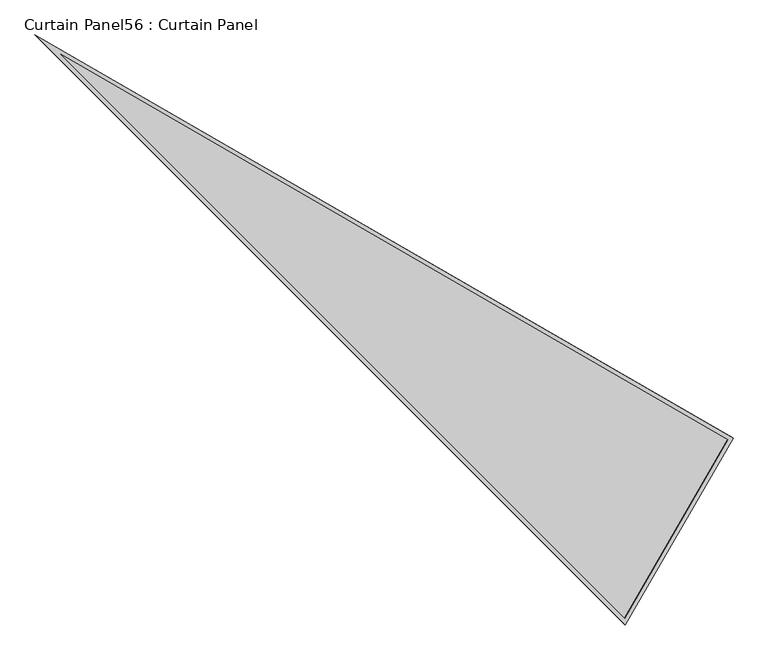
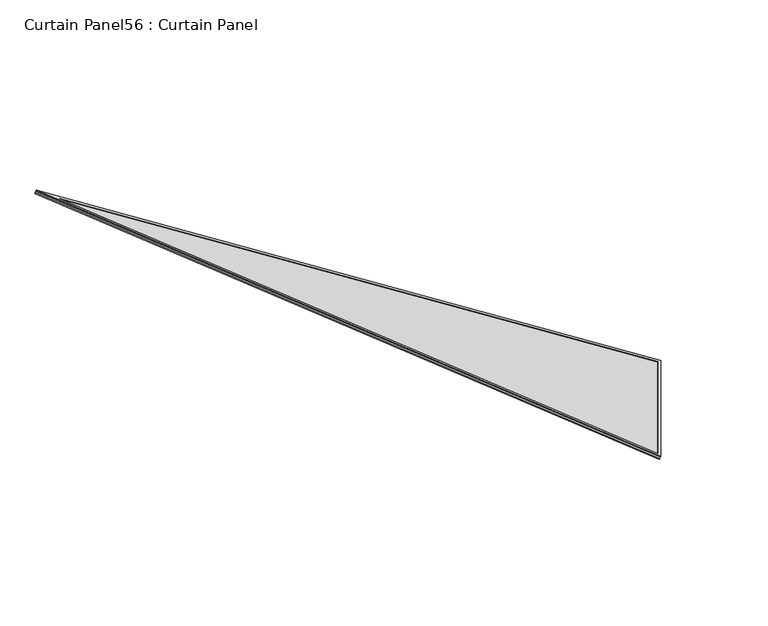
"""IFC4 building model written with IfcOpenShell, lengths in millimetres: plate geometry, Curtain Panel56 : Curtain Panel."""

from ifc_helpers import new_model, si_unit, frame, origin, place, context, project, spatial, polyline, outline, extrude, source, transform, mapped, element, save


def curtain_panel56_curtain_panel_53172989(model_context):
    return source(origin(), model_context, "Body", "SweptSolid", [
        extrude(outline(polyline([(895.9373554, 0.0), (0.0, -3524.4506618), (0.0, 0.0), (895.9373554, 0.0)]), holes=[polyline([(874.508816, -16.662798), (16.6627979, -16.6627979), (16.6627979, -3391.2692346), (874.508816, -16.662798)])]), frame((17613.8083614, -2747.085386, 898.7010357), z_axis=(0.27379031486167565, -0.15807291198690446, 0.9487106081329149), x_axis=(-0.5000000000000074, -0.8660254037844345, 0.0)), (0.0, 0.0, 1.0), 4.8308277),
        extrude(outline(polyline([(895.9373554, 0.0), (0.0, -3524.4506618), (0.0, 0.0), (895.9373554, 0.0)]), holes=[polyline([(874.4766631, -16.6878), (16.6878, -16.6878), (16.6878001, -3391.0693991), (874.4766631, -16.6878)])]), frame((17608.9820055, -2744.2988881, 881.9772337), z_axis=(0.27379031486166877, -0.1580729119869, 0.9487106081329175), x_axis=(-0.5000000000000067, -0.8660254037844349, 0.0)), (0.0, 0.0, 1.0), 4.7745332),
        extrude(outline(polyline([(12.7, 0.0), (908.6373553, 1e-07), (12.7, -3524.4506618), (12.7, 0.0)])), frame((17616.6392264, -2734.0550899, 886.506884), z_axis=(0.27379031486167693, -0.15807291198690482, 0.9487106081329144), x_axis=(-0.5000000000000084, -0.8660254037844338, 0.0)), (0.0, 0.0, 1.0), 12.8533944),
    ])


if __name__ == "__main__":
    model = new_model("IFC4")
    model_context = context("Model", 3, world=origin())
    ifc_project = project(units=[si_unit("LENGTHUNIT", "METRE", prefix="MILLI")], contexts=[model_context])
    site = spatial("IfcSite", under=ifc_project)
    building = spatial("IfcBuilding", under=site)
    placement = place(None, origin())
    curtain_panel56_curtain_panel_shape = curtain_panel56_curtain_panel_53172989(model_context)
    element("IfcPlate", 1, ObjectType="Curtain Panel56 : Curtain Panel", at=placement, inside=building, context=model_context, shape_type="MappedRepresentation", body=[
        mapped(curtain_panel56_curtain_panel_shape, transform((0.0, 0.0, 0.0), x_axis=(1.0, 0.0, 0.0), y_axis=(0.0, 1.0, 0.0), z_axis=(0.0, 0.0, 1.0))),
    ])
    save(model, "model.ifc")
